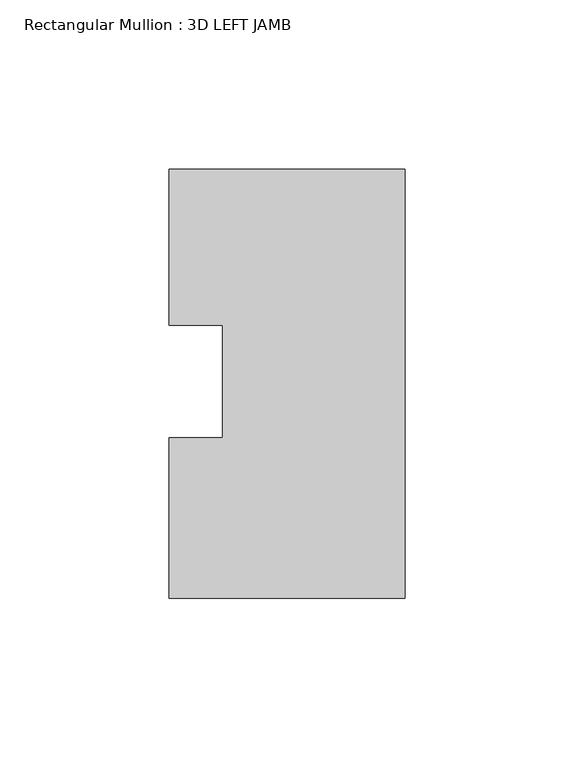
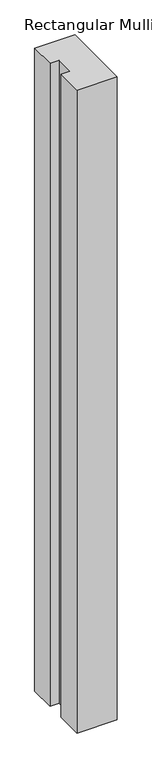
"""IFC4 building model written with IfcOpenShell, lengths in millimetres: member geometry, Rectangular Mullion : 3D LEFT JAMB."""

from ifc_helpers import new_model, si_unit, frame, origin, place, context, project, spatial, polyline, outline, extrude, source, transform, mapped, element, save


def rectangular_mullion_3d_left_jamb_bf47cfad(model_context):
    return source(origin(), model_context, "Body", "SweptSolid", [
        extrude(outline(polyline([(-69.85, 62.8644207), (0.0, 62.8644207), (0.0, -64.1355793), (-69.85, -64.1355793), (-69.85, -16.6815107), (-53.975, -16.6815107), (-53.975, 16.6815107), (-69.85, 16.6815107), (-69.85, 62.8644207)])), frame((0.0, 0.0, -1184.1285987), z_axis=(0.0, 0.0, 1.0), x_axis=(1.0, 0.0, 0.0)), (0.0, 0.0, 1.0), 1184.1285987),
    ])


if __name__ == "__main__":
    model = new_model("IFC4")
    model_context = context("Model", 3, world=origin())
    ifc_project = project(units=[si_unit("LENGTHUNIT", "METRE", prefix="MILLI")], contexts=[model_context])
    site = spatial("IfcSite", under=ifc_project)
    building = spatial("IfcBuilding", under=site)
    placement = place(None, origin())
    rectangular_mullion_3d_left_jamb_shape = rectangular_mullion_3d_left_jamb_bf47cfad(model_context)
    element("IfcMember", 1, ObjectType="Rectangular Mullion : 3D LEFT JAMB", at=placement, inside=building, context=model_context, shape_type="MappedRepresentation", body=[
        mapped(rectangular_mullion_3d_left_jamb_shape, transform((0.0, 0.0, 0.0), x_axis=(1.0, 0.0, 0.0), y_axis=(0.0, 1.0, 0.0), z_axis=(0.0, 0.0, 1.0))),
    ])
    save(model, "model.ifc")
